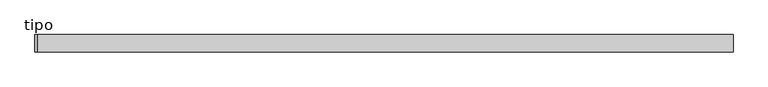
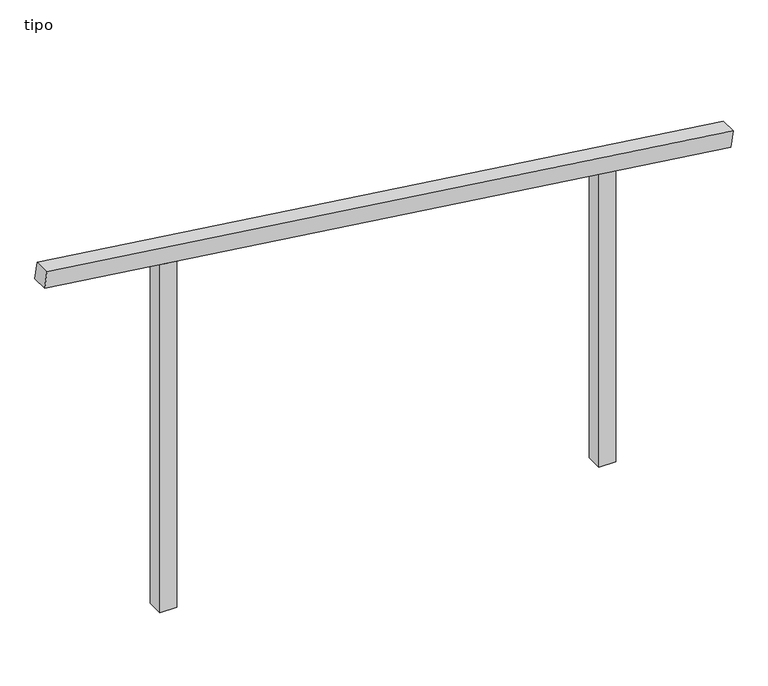
"""IFC4 building model written with IfcOpenShell, lengths in millimetres: proxy geometry, tipo."""

from ifc_helpers import new_model, si_unit, frame, origin, place, context, project, spatial, polyline, outline, extrude, source, transform, mapped, element, save


def tipo_7e79318e(model_context):
    return source(origin(), model_context, "Body", "SweptSolid", [
        extrude(outline(polyline([(0.0, -4100.0), (0.0, 0.0), (100.0, 0.0), (100.0, -4100.0), (0.0, -4100.0)])), frame((-2032.1881353, -100.0, 2269.6504825), z_axis=(0.1315368207527295, 0.0, 0.9913112855134175), x_axis=(0.0, 1.0, 0.0)), (0.0, 0.0, 1.0), 100.0),
        extrude(outline(polyline([(1820.8688728, 1350.0), (1834.1378452, 1250.0), (0.0, 1250.0), (0.0, 1350.0), (1820.8688728, 1350.0)])), frame((0.0, -100.0, 0.0), z_axis=(0.0, 1.0, 0.0), x_axis=(0.0, 0.0, 1.0)), (0.0, 0.0, 1.0), 100.0),
        extrude(outline(polyline([(2179.1311272, -1350.0), (0.0, -1350.0), (0.0, -1250.0), (2165.8621548, -1250.0), (2179.1311272, -1350.0)])), frame((0.0, -100.0, 0.0), z_axis=(0.0, 1.0, 0.0), x_axis=(0.0, 0.0, 1.0)), (0.0, 0.0, 1.0), 100.0),
    ])


if __name__ == "__main__":
    model = new_model("IFC4")
    model_context = context("Model", 3, world=origin())
    ifc_project = project(units=[si_unit("LENGTHUNIT", "METRE", prefix="MILLI")], contexts=[model_context])
    site = spatial("IfcSite", under=ifc_project)
    building = spatial("IfcBuilding", under=site)
    placement = place(None, origin())
    tipo_shape = tipo_7e79318e(model_context)
    element("IfcBuildingElementProxy", 1, Name="tipo", ObjectType="tipo", at=placement, inside=building, context=model_context, shape_type="MappedRepresentation", body=[
        mapped(tipo_shape, transform((0.0, 0.0, 0.0), x_axis=(1.0, 0.0, 0.0), y_axis=(0.0, 1.0, 0.0), z_axis=(0.0, 0.0, 1.0))),
    ])
    save(model, "model.ifc")
